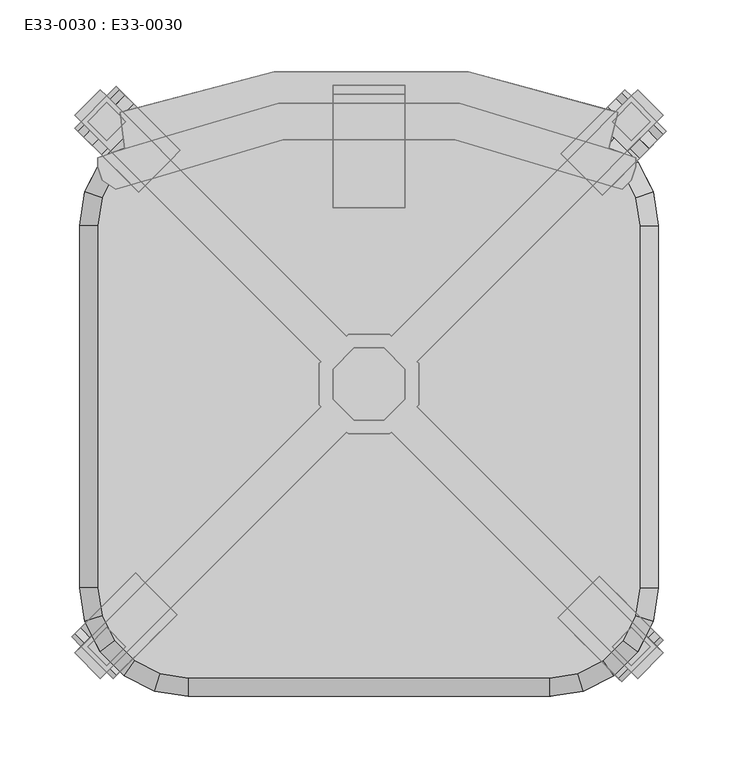
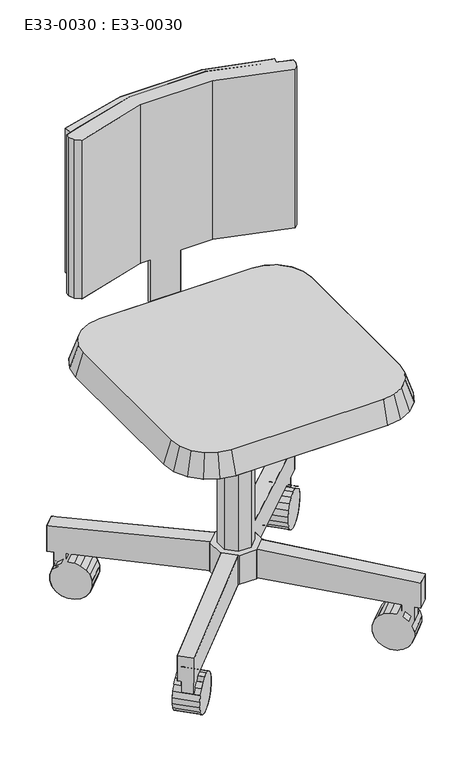
"""IFC4 building model written with IfcOpenShell, lengths in millimetres: furniture geometry, E33-0030 : E33-0030."""

from ifc_helpers import new_model, si_unit, origin, place, context, project, spatial, triangles, source, transform, mapped, element, save


def e33_0030_e33_0030_0d13cb0d(model_context):
    return source(origin(), model_context, "Body", "Tessellation", [
        triangles([(10.4864125, 41.1392472, 132.012409), (-10.4864171, 41.1392472, 132.012409), (-10.4864171, 41.1392472, 423.1516422), (10.4864125, 41.1392472, 423.1516422), (-25.316453, 26.3092112, 132.012409), (-25.316453, 26.3092112, 423.1516422), (-25.316453, 5.3363726, 132.012409), (-25.316453, 5.3363726, 423.1516422), (-10.4864171, -9.4936633, 132.012409), (-10.4864171, -9.4936633, 423.1516422), (10.4864125, -9.4936633, 132.012409), (10.4864125, -9.4936633, 423.1516422), (25.3164484, 5.3363726, 132.012409), (25.3164484, 5.3363726, 423.1516422), (25.3164484, 26.3092112, 132.012409), (25.3164484, 26.3092112, 423.1516422), (205.8665266, 203.7878835, 71.8858238), (187.9650885, 221.6893185, 71.8858238), (187.9650885, 221.6893185, 116.1896194), (205.8665266, 203.7878835, 116.1896194), (187.9650885, -190.0437256, 71.8858238), (205.8665266, -172.142311, 71.8858238), (187.9650885, -190.0437256, 116.1896194), (205.8665266, -172.142311, 116.1896194), (14.4188215, -18.9873426, 81.3794985), (15.6637491, -17.7424149, 81.3794985), (14.4188215, -18.9873426, 132.012409), (15.6637491, -17.7424149, 132.012409), (34.8101186, 1.4039636, 81.3794985), (34.8101186, 30.2416111, 81.3794985), (34.8101186, 1.4039636, 132.012409), (34.8101186, 30.2416111, 132.012409), (33.565191, 31.4865478, 81.3794985), (33.565191, 31.4865478, 132.012409), (15.6637491, 49.3879806, 81.3794985), (14.4188215, 50.6329173, 81.3794985), (14.4188215, 50.6329173, 132.012409), (15.6637491, 49.3879806, 132.012409), (33.565191, 0.159036, 81.3794985), (33.565191, 0.159036, 132.012409), (-205.8665334, -172.142311, 71.8858238), (-187.9650825, -190.0437256, 71.8858238), (-205.8665334, -172.142311, 116.1896194), (-187.9650825, -190.0437256, 116.1896194), (-187.9650825, 221.6893185, 71.8858238), (-205.8665334, 203.7878835, 71.8858238), (-205.8665334, 203.7878835, 116.1896194), (-187.9650825, 221.6893185, 116.1896194), (-14.418826, 50.6329173, 81.3794985), (-15.6637718, 49.3879806, 81.3794985), (-15.6637718, 49.3879806, 132.012409), (-14.418826, 50.6329173, 132.012409), (-34.8101322, 30.2416111, 81.3794985), (-34.8101322, 1.4039636, 81.3794985), (-34.8101322, 1.4039636, 132.012409), (-34.8101322, 30.2416111, 132.012409), (-33.5652046, 0.159036, 81.3794985), (-33.5652046, 0.159036, 132.012409), (-15.6637718, -17.7424149, 81.3794985), (-14.418826, -18.9873426, 81.3794985), (-15.6637718, -17.7424149, 132.012409), (-14.418826, -18.9873426, 132.012409), (-33.5652046, 31.4865478, 81.3794985), (-33.5652046, 31.4865478, 132.012409), (208.1042057, 192.5994846, 25.7344189), (205.9138098, 190.4090876, 16.2007133), (176.8239731, 219.4989226, 16.2007133), (179.0143695, 221.6893185, 25.7344189), (165.5410084, 150.0362862, 16.2007133), (163.3506125, 147.8458903, 25.7344189), (134.2607752, 176.9357264, 25.7344189), (136.4511711, 179.1261232, 16.2007133), (176.7766899, -192.2814161, 25.7344189), (174.5862934, -190.0910338, 16.2007133), (203.6761284, -161.0012033, 16.2007133), (205.8665266, -163.1915856, 25.7344189), (134.2134943, -149.7182074, 16.2007133), (132.0230983, -147.5278251, 25.7344189), (161.1129311, -118.4379946, 25.7344189), (163.3033293, -120.6283951, 16.2007133), (160.1817084, 202.8566586, 62.3921537), (160.1817084, 202.8566586, -0.8989843), (153.0934374, 195.7683875, -0.8989843), (146.3520884, 189.0270385, 2.1987046), (166.9230575, 209.5980076, 2.1987046), (172.6575912, 215.332539, 8.090859), (189.2715452, 173.7668237, 62.3921537), (189.2715452, 173.7668237, -0.8989843), (182.1832723, 166.6785508, -0.8989843), (175.441924, 159.9372023, 2.1987046), (169.7073908, 154.2026698, 8.090859), (163.3506125, 147.8458903, 35.7587503), (196.0128936, 180.508172, 2.1987046), (201.7474262, 186.2427051, 8.090859), (157.9440293, -173.448772, 62.3921537), (157.9440293, -173.448772, -0.8989843), (150.8557561, -166.3605055, -0.8989843), (144.114407, -159.6191292, 2.1987046), (138.3798733, -153.8845955, 8.090859), (132.0230983, -147.5278251, 35.7587503), (170.4199109, -185.9246456, 8.090859), (164.6853784, -180.190112, 2.1987046), (187.0338655, -144.3589415, 62.3921537), (187.0338655, -144.3589415, -0.8989843), (179.9455925, -137.2706387, -0.8989843), (173.2042443, -130.5292987, 2.1987046), (167.4697117, -124.794765, 8.090859), (161.1129311, -118.4379946, 35.7587503), (199.5097471, -156.8348152, 8.090859), (193.7752134, -151.1002815, 2.1987046), (140.6175547, 183.2925054, 8.090859), (134.2607752, 176.9357264, 35.7587503), (-176.7767029, 223.9269999, 25.7344189), (-174.5863206, 221.736604, 16.2007133), (-205.8665334, 194.8371649, 25.7344189), (-203.6761511, 192.6467667, 16.2007133), (-134.2134943, 181.3638026, 16.2007133), (-132.023112, 179.1734061, 25.7344189), (-163.3033248, 152.2739675, 16.2007133), (-161.1129425, 150.0835694, 25.7344189), (-208.1042239, -160.9538951, 25.7344189), (-205.9138053, -158.7635128, 16.2007133), (-176.8239748, -187.8533433, 16.2007133), (-179.0143934, -190.0437256, 25.7344189), (-165.5410152, -118.3907046, 16.2007133), (-163.3506329, -116.2003042, 25.7344189), (-134.2608024, -145.2901347, 25.7344189), (-136.4511847, -147.4805533, 16.2007133), (-189.2715435, -142.121251, 62.3921537), (-189.2715435, -142.121251, -0.8989843), (-182.183277, -135.0329846, -0.8989843), (-175.441937, -128.2916264, 2.1987046), (-163.3506329, -116.2003042, 35.7587503), (-196.0129198, -148.862591, 2.1987046), (-201.7474535, -154.5971247, 8.090859), (-160.181713, -171.2110815, 62.3921537), (-160.181713, -171.2110815, -0.8989843), (-153.0934465, -164.1228151, -0.8989843), (-146.3521065, -157.3814751, 2.1987046), (-140.6175728, -151.6469414, 8.090859), (-134.2608024, -145.2901347, 35.7587503), (-166.9230529, -177.9524215, 2.1987046), (-172.6575866, -183.6869552, 8.090859), (-187.0338893, 176.0045035, 62.3921537), (-187.0338893, 176.0045035, -0.8989843), (-179.9455865, 168.9162305, -0.8989843), (-173.2042466, 162.1748825, 2.1987046), (-167.4697129, 156.4403489, 8.090859), (-161.1129425, 150.0835694, 35.7587503), (-193.7752293, 182.7458517, 2.1987046), (-199.509763, 188.4803842, 8.090859), (-157.9440225, 205.0943399, 62.3921537), (-157.9440225, 205.0943399, -0.8989843), (-150.8557561, 198.0060666, -0.8989843), (-144.1144161, 191.2647187, 2.1987046), (-138.3798824, 185.530185, 8.090859), (-132.023112, 179.1734061, 35.7587503), (-164.6853988, 211.8356867, 2.1987046), (-170.4199325, 217.5702204, 8.090859), (-169.7074033, -122.5570927, 8.090859), (183.4897291, -154.2408601, 72.9954763), (183.4897291, -154.2408601, 60.9360244), (170.0636509, -167.6669301, 60.9360244), (170.0636509, -167.6669301, 72.9954763), (174.5862934, -190.0910338, 45.2924571), (176.7766899, -192.2814161, 35.7587503), (203.6761284, -161.0012033, 45.2924571), (205.8665266, -163.1915856, 35.7587503), (134.2134943, -149.7182074, 45.2924571), (138.3798733, -153.8845955, 53.4023136), (144.114407, -159.6191292, 59.2944639), (150.8557561, -166.3605055, 62.3921537), (196.9158068, -167.6669301, 72.2557095), (196.9158068, -167.6669301, 45.3844936), (179.9455925, -137.2706387, 62.3921537), (173.2042443, -130.5292987, 59.2944639), (-170.0636679, -167.6669301, 72.9954763), (-170.0636679, -167.6669301, 60.9360244), (-183.4897379, -154.2408601, 60.9360244), (-183.4897379, -154.2408601, 72.9954763), (-205.9138053, -158.7635128, 45.2924571), (-208.1042239, -160.9538951, 35.7587503), (-179.0143934, -190.0437256, 35.7587503), (-176.8239748, -187.8533433, 45.2924571), (-140.6175728, -151.6469414, 53.4023136), (-146.3521065, -157.3814751, 59.2944639), (-153.0934465, -164.1228151, 62.3921537), (-196.915808, -167.6669301, 72.2557095), (-196.915808, -167.6669301, 45.3844936), (-136.4511847, -147.4805533, 45.2924571), (-182.183277, -135.0329846, 62.3921537), (183.4897291, -181.0930365, 72.2557095), (183.4897291, -181.0930365, 45.3844936), (173.6360959, -171.2393865, 59.2944639), (164.6853784, -180.190112, 59.2944639), (170.4199109, -185.9246456, 53.4023136), (179.3706296, -176.9739202, 53.4023136), (-183.4897379, -181.0930365, 45.3844936), (-183.4897379, -181.0930365, 72.2557095), (-173.6361243, -171.2393865, 59.2944639), (-179.370658, -176.9739202, 53.4023136), (-172.6575866, -183.6869552, 53.4023136), (-166.9230529, -177.9524215, 59.2944639), (196.9158068, 199.312523, 72.2557095), (196.9158068, 199.312523, 45.3844936), (183.4897291, 212.7386022, 45.3844936), (183.4897291, 212.7386022, 72.2557095), (169.7073908, 154.2026698, 53.4023136), (175.441924, 159.9372023, 59.2944639), (146.3520884, 189.0270385, 59.2944639), (140.6175547, 183.2925054, 53.4023136), (173.6360959, 202.8849681, 59.2944639), (179.3706296, 208.6195017, 53.4023136), (166.9230575, 209.5980076, 59.2944639), (172.6575912, 215.332539, 53.4023136), (187.0621747, 189.4588901, 59.2944639), (196.0128936, 180.508172, 59.2944639), (201.7474262, 186.2427051, 53.4023136), (192.7967076, 195.1934249, 53.4023136), (136.4511711, 179.1261232, 45.2924571), (153.0934374, 195.7683875, 62.3921537), (165.5410084, 150.0362862, 45.2924571), (182.1832723, 166.6785508, 62.3921537), (183.4897291, 185.8864451, 72.9954763), (183.4897291, 185.8864451, 60.9360244), (170.0636509, 199.312523, 72.9954763), (170.0636509, 199.312523, 60.9360244), (187.0621747, -157.8133165, 59.2944639), (192.7967076, -163.5478502, 53.4023136), (193.7752134, -151.1002815, 59.2944639), (199.5097471, -156.8348152, 53.4023136), (167.4697117, -124.794765, 53.4023136), (163.3033293, -120.6283951, 45.2924571), (176.8239731, 219.4989226, 45.2924571), (179.0143695, 221.6893185, 35.7587503), (205.9138098, 190.4090876, 45.2924571), (208.1042057, 192.5994846, 35.7587503), (-183.4897379, 212.7386022, 72.2557095), (-183.4897379, 212.7386022, 45.3844936), (-196.915808, 199.312523, 45.3844936), (-196.915808, 199.312523, 72.2557095), (-138.3798824, 185.530185, 53.4023136), (-144.1144161, 191.2647187, 59.2944639), (-173.2042466, 162.1748825, 59.2944639), (-167.4697129, 156.4403489, 53.4023136), (-187.0621943, 189.4588901, 59.2944639), (-192.796728, 195.1934249, 53.4023136), (-199.509763, 188.4803842, 53.4023136), (-193.7752293, 182.7458517, 59.2944639), (-173.6361243, 202.8849681, 59.2944639), (-164.6853988, 211.8356867, 59.2944639), (-179.370658, 208.6195017, 53.4023136), (-170.4199325, 217.5702204, 53.4023136), (-163.3033248, 152.2739675, 45.2924571), (-179.9455865, 168.9162305, 62.3921537), (-134.2134943, 181.3638026, 45.2924571), (-150.8557561, 198.0060666, 62.3921537), (-183.4897379, 185.8864451, 72.9954763), (-183.4897379, 185.8864451, 60.9360244), (-170.0636679, 199.312523, 72.9954763), (-170.0636679, 199.312523, 60.9360244), (-187.0621943, -157.8133165, 59.2944639), (-196.0129198, -148.862591, 59.2944639), (-201.7474535, -154.5971247, 53.4023136), (-192.796728, -163.5478502, 53.4023136), (-169.7074033, -122.5570927, 53.4023136), (-175.441937, -128.2916264, 59.2944639), (-165.5410152, -118.3907046, 45.2924571), (-205.8665334, 194.8371649, 35.7587503), (-203.6761511, 192.6467667, 45.2924571), (-176.7767029, 223.9269999, 35.7587503), (-174.5863206, 221.736604, 45.2924571), (-63.2911518, 212.0253213, 802.8984484), (-170.8860741, 180.3797511, 802.8984484), (-63.2911518, 212.0253213, 549.7339231), (-170.8860741, 180.3797511, 549.7339231), (-174.0506339, 205.6962063, 802.8984484), (-174.0506339, 205.6962063, 549.7339231), (-66.4556933, 234.1772191, 802.8984484), (-66.4556933, 234.1772191, 549.7339231), (69.6202486, 234.1772191, 802.8984484), (69.6202486, 234.1772191, 549.7339231), (174.0506282, 205.6962063, 802.8984484), (174.0506282, 205.6962063, 549.7339231), (167.7215132, 180.3797511, 802.8984484), (167.7215132, 180.3797511, 549.7339231), (63.2911381, 212.0253213, 802.8984484), (63.2911381, 212.0253213, 549.7339231), (-60.126592, 186.7088649, 815.5566874), (-177.2151936, 151.8987384, 815.5566874), (-60.126592, 186.7088649, 537.0756841), (-177.2151936, 151.8987384, 537.0756841), (-186.7088728, 158.2278522, 815.5566874), (-186.7088728, 158.2278522, 537.0756841), (-189.8734326, 167.7215229, 815.5566874), (-189.8734326, 167.7215229, 537.0756841), (-189.8734326, 174.050637, 815.5566874), (-189.8734326, 174.050637, 537.0756841), (186.7088555, 174.050637, 815.5566874), (186.7088555, 167.7215229, 815.5566874), (186.7088555, 167.7215229, 537.0756841), (186.7088555, 174.050637, 537.0756841), (183.5442985, 158.2278522, 815.5566874), (183.5442985, 158.2278522, 537.0756841), (177.2151845, 151.8987384, 815.5566874), (177.2151845, 151.8987384, 537.0756841), (60.1265784, 186.7088649, 815.5566874), (60.1265784, 186.7088649, 537.0756841), (167.7215132, 180.3797511, 815.5566874), (167.7215132, 180.3797511, 537.0756841), (-170.8860741, 180.3797511, 815.5566874), (-170.8860741, 180.3797511, 537.0756841), (25.3164484, 218.354434, 549.7339231), (25.3164484, 224.6835489, 549.7339231), (25.3164484, 224.6835489, 435.8098812), (25.3164484, 218.354434, 438.974441), (-25.316453, 224.6835489, 549.7339231), (-25.316453, 218.354434, 549.7339231), (-25.316453, 218.354434, 438.974441), (-25.316453, 224.6835489, 435.8098812), (126.582274, 189.8734212, 461.1263228), (146.1403099, 186.7757326, 461.1263228), (150.0519193, 198.8144225, 423.1516422), (126.582274, 202.5316489, 423.1516422), (163.7838709, 177.7858897, 461.1263228), (171.2241917, 188.0266113, 423.1516422), (177.7858806, 163.7838811, 461.1263228), (188.0266019, 171.2242005, 423.1516422), (186.7757236, 146.1403212, 461.1263228), (198.8144135, 150.0519284, 423.1516422), (189.8734122, 126.5822831, 461.1263228), (202.5316398, 126.5822831, 423.1516422), (189.8734122, -126.5822831, 461.1263228), (202.5316398, -126.5822831, 423.1516422), (186.7757236, -146.1403008, 461.1263228), (198.8144135, -150.051908, 423.1516422), (177.7858806, -163.7838823, 461.1263228), (188.0266019, -171.2241985, 423.1516422), (163.7838709, -177.7858982, 461.1263228), (171.2241917, -188.0265886, 423.1516422), (146.1403099, -186.7757201, 461.1263228), (150.0519193, -198.8144112, 423.1516422), (126.582274, -189.8734235, 461.1263228), (126.582274, -202.5316262, 423.1516422), (-126.582274, -189.8734235, 461.1263228), (-146.1403099, -186.7757201, 461.1263228), (-150.051917, -198.8144112, 423.1516422), (-126.582274, -202.5316262, 423.1516422), (-163.7838914, -177.7858982, 461.1263228), (-171.2242076, -188.0265886, 423.1516422), (-177.7859073, -163.7838823, 461.1263228), (-188.0265976, -171.2241985, 423.1516422), (-186.7757292, -146.1403008, 461.1263228), (-198.8144203, -150.051908, 423.1516422), (-189.8734326, -126.5822831, 461.1263228), (-202.5316352, -126.5822831, 423.1516422), (-189.8734326, 126.5822831, 461.1263228), (-202.5316352, 126.5822831, 423.1516422), (-186.7757292, 146.1403212, 461.1263228), (-198.8144203, 150.0519284, 423.1516422), (-177.7859073, 163.7838811, 461.1263228), (-188.0265976, 171.2242005, 423.1516422), (-163.7838914, 177.7858897, 461.1263228), (-171.2242076, 188.0266113, 423.1516422), (-146.1403099, 186.7757326, 461.1263228), (-150.051917, 198.8144225, 423.1516422), (-126.582274, 189.8734212, 461.1263228), (-126.582274, 202.5316489, 423.1516422), (25.3164484, 208.8607638, 416.8225227), (25.3164484, 205.6962063, 423.1516422), (-25.316453, 205.6962063, 423.1516422), (-25.316453, 208.8607638, 416.8225227), (25.3164484, 139.2405107, 416.8225227), (25.3164484, 139.2405107, 423.1516422), (-25.316453, 139.2405107, 416.8225227), (-25.316453, 139.2405107, 423.1516422), (-63.2911518, 212.0253213, 537.0756841), (63.2911381, 212.0253213, 537.0756841), (-63.2911518, 212.0253213, 815.5566874), (63.2911381, 212.0253213, 815.5566874)], [[1, 2, 3], [1, 3, 4], [2, 5, 6], [2, 6, 3], [5, 7, 8], [5, 8, 6], [7, 9, 10], [7, 10, 8], [9, 11, 12], [9, 12, 10], [11, 13, 14], [11, 14, 12], [13, 15, 16], [13, 16, 14], [15, 1, 4], [15, 4, 16], [17, 18, 19], [17, 19, 20], [21, 22, 23], [22, 24, 23], [25, 26, 27], [26, 28, 27], [29, 30, 31], [30, 32, 31], [30, 33, 34], [30, 34, 32], [35, 36, 37], [35, 37, 38], [33, 17, 34], [17, 20, 34], [19, 18, 35], [19, 35, 38], [39, 29, 40], [29, 31, 40], [26, 21, 23], [26, 23, 28], [24, 22, 39], [24, 39, 40], [41, 42, 43], [42, 44, 43], [45, 46, 47], [45, 47, 48], [49, 50, 51], [49, 51, 52], [53, 54, 55], [53, 55, 56], [54, 57, 55], [57, 58, 55], [59, 60, 61], [60, 62, 61], [57, 41, 43], [57, 43, 58], [44, 42, 59], [44, 59, 61], [63, 53, 56], [63, 56, 64], [50, 45, 48], [50, 48, 51], [47, 46, 63], [47, 63, 64], [36, 49, 52], [36, 52, 37], [60, 25, 62], [25, 27, 62], [65, 66, 67], [65, 67, 68], [69, 70, 71], [69, 71, 72], [73, 74, 75], [73, 75, 76], [77, 78, 79], [77, 79, 80], [81, 82, 83], [81, 83, 84], [81, 82, 85], [81, 85, 86], [81, 86, 67], [81, 67, 68], [87, 88, 89], [87, 89, 90], [87, 90, 91], [87, 91, 69], [87, 69, 70], [87, 70, 92], [87, 88, 93], [87, 93, 94], [87, 94, 66], [87, 66, 65], [95, 96, 97], [95, 97, 98], [95, 98, 99], [95, 99, 77], [95, 77, 78], [95, 78, 100], [95, 96, 101], [96, 102, 101], [95, 101, 74], [95, 74, 73], [103, 104, 105], [103, 105, 106], [103, 106, 107], [103, 107, 80], [103, 80, 79], [103, 79, 108], [103, 104, 109], [104, 110, 109], [103, 109, 75], [103, 75, 76], [81, 84, 111], [81, 111, 72], [81, 72, 71], [81, 71, 112], [113, 114, 115], [114, 116, 115], [117, 118, 119], [118, 120, 119], [121, 122, 123], [121, 123, 124], [125, 126, 127], [125, 127, 128], [129, 130, 131], [129, 131, 132], [129, 125, 126], [129, 126, 133], [129, 130, 134], [129, 134, 135], [129, 135, 122], [129, 122, 121], [136, 137, 138], [136, 138, 139], [136, 139, 140], [136, 140, 128], [136, 128, 127], [136, 127, 141], [136, 137, 142], [136, 142, 143], [136, 143, 123], [136, 123, 124], [144, 145, 146], [144, 146, 147], [144, 147, 148], [144, 148, 119], [144, 119, 120], [144, 120, 149], [144, 145, 150], [144, 150, 151], [144, 151, 116], [144, 116, 115], [152, 153, 154], [152, 154, 155], [152, 155, 156], [152, 156, 117], [152, 117, 118], [152, 118, 157], [152, 153, 158], [152, 158, 159], [152, 159, 114], [152, 114, 113], [129, 125, 160], [129, 160, 132], [101, 102, 110], [101, 110, 109], [102, 96, 104], [102, 104, 110], [74, 101, 109], [74, 109, 75], [96, 97, 105], [96, 105, 104], [97, 98, 106], [97, 106, 105], [135, 134, 142], [135, 142, 143], [134, 130, 137], [134, 137, 142], [122, 135, 143], [122, 143, 123], [130, 131, 138], [130, 138, 137], [159, 158, 151], [158, 150, 151], [155, 156, 147], [156, 148, 147], [132, 160, 140], [132, 140, 139], [158, 153, 150], [153, 145, 150], [153, 154, 145], [154, 146, 145], [154, 155, 146], [155, 147, 146], [131, 132, 139], [131, 139, 138], [156, 117, 148], [117, 119, 148], [160, 125, 128], [160, 128, 140], [114, 159, 116], [159, 151, 116], [94, 93, 85], [94, 85, 86], [90, 91, 111], [90, 111, 84], [98, 99, 107], [98, 107, 106], [93, 88, 82], [93, 82, 85], [88, 89, 83], [88, 83, 82], [89, 90, 84], [89, 84, 83], [91, 69, 72], [91, 72, 111], [99, 77, 80], [99, 80, 107], [66, 94, 86], [66, 86, 67], [161, 162, 163], [161, 163, 164], [165, 166, 167], [166, 168, 167], [95, 100, 169], [95, 169, 170], [95, 170, 171], [95, 171, 172], [161, 173, 174], [161, 174, 162], [171, 172, 175], [171, 175, 176], [172, 95, 103], [172, 103, 175], [166, 73, 76], [166, 76, 168], [177, 178, 179], [177, 179, 180], [181, 182, 183], [181, 183, 184], [136, 185, 186], [136, 186, 187], [180, 188, 189], [180, 189, 179], [136, 185, 190], [136, 190, 141], [191, 129, 136], [191, 136, 187], [54, 59, 41], [59, 42, 41], [182, 121, 124], [182, 124, 183], [192, 193, 174], [192, 174, 173], [194, 195, 196], [194, 196, 197], [164, 192, 193], [164, 193, 163], [95, 73, 166], [95, 166, 165], [188, 189, 198], [188, 198, 199], [200, 201, 202], [200, 202, 203], [177, 199, 198], [177, 198, 178], [136, 184, 183], [136, 183, 124], [204, 205, 206], [204, 206, 207], [208, 209, 210], [208, 210, 211], [212, 213, 214], [213, 215, 214], [216, 217, 218], [216, 218, 219], [81, 112, 220], [81, 220, 211], [81, 211, 210], [81, 210, 221], [87, 92, 222], [87, 222, 208], [87, 208, 209], [87, 209, 223], [224, 204, 205], [224, 205, 225], [226, 207, 206], [226, 206, 227], [228, 229, 230], [229, 231, 230], [170, 171, 176], [170, 176, 232], [103, 108, 233], [103, 233, 232], [103, 232, 176], [103, 176, 175], [81, 68, 234], [68, 235, 234], [103, 76, 168], [103, 168, 167], [87, 65, 236], [65, 237, 236], [238, 239, 240], [238, 240, 241], [242, 243, 244], [242, 244, 245], [246, 247, 248], [246, 248, 249], [250, 251, 252], [251, 253, 252], [144, 149, 254], [144, 254, 245], [144, 245, 244], [144, 244, 255], [152, 157, 256], [152, 256, 242], [152, 242, 243], [152, 243, 257], [258, 241, 240], [258, 240, 259], [260, 238, 239], [260, 239, 261], [262, 263, 264], [262, 264, 265], [266, 267, 186], [266, 186, 185], [129, 133, 268], [129, 268, 266], [129, 266, 267], [129, 267, 191], [129, 121, 182], [129, 182, 181], [144, 115, 269], [144, 269, 270], [152, 113, 271], [152, 271, 272], [157, 256, 254], [157, 254, 149], [272, 271, 269], [272, 269, 270], [133, 268, 190], [133, 190, 141], [126, 133, 141], [126, 141, 127], [118, 157, 149], [118, 149, 120], [271, 113, 115], [271, 115, 269], [256, 242, 245], [256, 245, 254], [268, 266, 185], [268, 185, 190], [92, 222, 220], [92, 220, 112], [236, 237, 235], [236, 235, 234], [100, 169, 233], [100, 233, 108], [70, 92, 112], [70, 112, 71], [78, 100, 79], [100, 108, 79], [237, 65, 68], [237, 68, 235], [222, 208, 211], [222, 211, 220], [169, 170, 232], [169, 232, 233], [243, 257, 255], [243, 255, 244], [257, 152, 144], [257, 144, 255], [267, 191, 187], [267, 187, 186], [258, 259, 261], [258, 261, 260], [209, 223, 221], [209, 221, 210], [223, 87, 81], [223, 81, 221], [226, 227, 225], [226, 225, 224], [53, 25, 60], [53, 60, 54], [49, 36, 30], [49, 30, 29], [53, 49, 29], [53, 29, 25], [54, 36, 53], [36, 49, 53], [60, 25, 29], [60, 29, 30], [54, 60, 30], [54, 30, 36], [23, 24, 40], [23, 40, 28], [43, 44, 61], [43, 61, 58], [20, 19, 38], [20, 38, 34], [48, 47, 64], [48, 64, 51], [31, 13, 40], [32, 15, 13], [32, 13, 31], [15, 34, 32], [58, 7, 9], [58, 9, 61], [9, 61, 62], [51, 2, 52], [64, 5, 2], [64, 2, 51], [56, 64, 5], [56, 5, 55], [5, 7, 55], [55, 58, 7], [9, 62, 27], [9, 27, 11], [28, 11, 13], [28, 13, 40], [11, 27, 28], [15, 34, 1], [34, 38, 1], [52, 2, 1], [52, 1, 37], [37, 1, 38], [273, 274, 275], [274, 276, 275], [274, 277, 276], [277, 278, 276], [277, 279, 280], [277, 280, 278], [279, 281, 282], [279, 282, 280], [281, 283, 284], [281, 284, 282], [283, 285, 286], [283, 286, 284], [285, 287, 288], [285, 288, 286], [289, 290, 291], [290, 292, 291], [290, 293, 294], [290, 294, 292], [293, 295, 296], [293, 296, 294], [295, 297, 298], [295, 298, 296], [299, 300, 301], [299, 301, 302], [300, 303, 304], [300, 304, 301], [303, 305, 304], [305, 306, 304], [305, 307, 308], [305, 308, 306], [307, 289, 308], [289, 291, 308], [309, 299, 302], [309, 302, 310], [297, 311, 312], [297, 312, 298], [313, 314, 315], [313, 315, 316], [317, 318, 319], [317, 319, 320], [319, 316, 318], [316, 313, 318], [317, 314, 315], [317, 315, 320], [321, 322, 323], [321, 323, 324], [322, 325, 326], [322, 326, 323], [325, 327, 328], [325, 328, 326], [327, 329, 328], [329, 330, 328], [329, 331, 330], [331, 332, 330], [331, 333, 334], [331, 334, 332], [333, 335, 336], [333, 336, 334], [335, 337, 338], [335, 338, 336], [337, 339, 340], [337, 340, 338], [339, 341, 340], [341, 342, 340], [341, 343, 342], [343, 344, 342], [345, 346, 347], [345, 347, 348], [346, 349, 347], [349, 350, 347], [349, 351, 352], [349, 352, 350], [351, 353, 354], [351, 354, 352], [353, 355, 356], [353, 356, 354], [355, 357, 358], [355, 358, 356], [357, 359, 360], [357, 360, 358], [359, 361, 362], [359, 362, 360], [361, 363, 364], [361, 364, 362], [363, 365, 366], [363, 366, 364], [365, 367, 368], [365, 368, 366], [343, 345, 348], [343, 348, 344], [367, 321, 324], [367, 324, 368], [344, 338, 336], [344, 336, 334], [356, 354, 352], [356, 352, 350], [356, 350, 347], [356, 347, 348], [358, 368, 334], [358, 334, 344], [356, 348, 358], [348, 344, 358], [344, 342, 340], [344, 340, 338], [368, 324, 332], [368, 332, 334], [358, 360, 362], [358, 362, 364], [358, 364, 366], [358, 366, 368], [316, 315, 369], [316, 369, 370], [320, 319, 371], [320, 371, 372], [371, 370, 316], [371, 316, 319], [320, 315, 369], [320, 369, 372], [324, 323, 326], [324, 326, 328], [324, 328, 330], [324, 330, 332], [370, 369, 373], [370, 373, 374], [371, 372, 375], [371, 375, 376], [372, 369, 373], [372, 373, 375], [376, 374, 370], [376, 370, 371], [375, 373, 374], [375, 374, 376], [343, 341, 339], [343, 339, 337], [343, 337, 335], [343, 335, 333], [355, 353, 351], [355, 351, 349], [355, 349, 346], [355, 346, 345], [357, 367, 333], [357, 333, 343], [357, 355, 343], [355, 345, 343], [367, 321, 331], [367, 331, 333], [357, 363, 365], [357, 365, 367], [357, 359, 361], [357, 361, 363], [321, 322, 325], [321, 325, 327], [321, 327, 329], [321, 329, 331], [280, 275, 278], [275, 276, 278], [377, 291, 312], [291, 292, 312], [276, 275, 377], [276, 377, 312], [298, 296, 294], [298, 294, 292], [298, 292, 312], [284, 286, 288], [284, 288, 282], [378, 308, 306], [378, 306, 310], [288, 286, 310], [288, 310, 378], [302, 301, 306], [301, 304, 306], [310, 306, 302], [275, 288, 378], [275, 378, 377], [378, 308, 291], [378, 291, 377], [282, 288, 275], [282, 275, 280], [274, 311, 379], [274, 379, 273], [279, 273, 277], [273, 274, 277], [311, 290, 289], [311, 289, 379], [297, 295, 293], [297, 293, 290], [297, 290, 311], [287, 380, 309], [287, 309, 285], [283, 285, 287], [283, 287, 281], [309, 305, 307], [309, 307, 380], [299, 300, 305], [300, 303, 305], [309, 305, 299], [273, 379, 380], [273, 380, 287], [281, 287, 273], [281, 273, 279], [380, 307, 289], [380, 289, 379]], closed=False),
    ])


if __name__ == "__main__":
    model = new_model("IFC4")
    model_context = context("Model", 3, world=origin())
    ifc_project = project(units=[si_unit("LENGTHUNIT", "METRE", prefix="MILLI")], contexts=[model_context])
    site = spatial("IfcSite", under=ifc_project)
    building = spatial("IfcBuilding", under=site)
    placement = place(None, origin())
    e33_0030_e33_0030_shape = e33_0030_e33_0030_0d13cb0d(model_context)
    element("IfcFurniture", 1, ObjectType="E33-0030 : E33-0030", at=placement, inside=building, context=model_context, shape_type="MappedRepresentation", body=[
        mapped(e33_0030_e33_0030_shape, transform((0.0, 0.0, 0.0), x_axis=(1.0, 0.0, 0.0), y_axis=(0.0, 1.0, 0.0), z_axis=(0.0, 0.0, 1.0))),
    ])
    save(model, "model.ifc")
